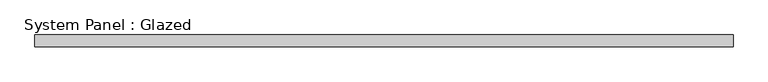
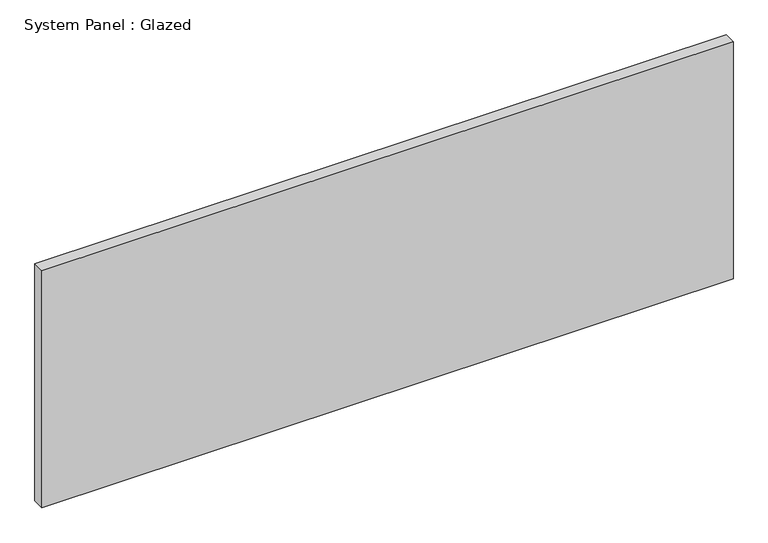
"""IFC4 building model written with IfcOpenShell, lengths in millimetres: plate geometry, System Panel : Glazed."""

from ifc_helpers import new_model, si_unit, origin, origin_with_axes, place, context, project, spatial, polyline, outline, extrude, source, transform, mapped, element, save


def system_panel_glazed_02cc3543(model_context):
    return source(origin(), model_context, "Body", "SweptSolid", [
        extrude(outline(polyline([(724.1690596, 24.5), (-724.1690596, 24.5), (-724.1690596, 49.5), (724.1690596, 49.5), (724.1690596, 24.5)])), origin_with_axes(), (0.0, 0.0, 1.0), 525.0),
    ])


if __name__ == "__main__":
    model = new_model("IFC4")
    model_context = context("Model", 3, world=origin())
    ifc_project = project(units=[si_unit("LENGTHUNIT", "METRE", prefix="MILLI")], contexts=[model_context])
    site = spatial("IfcSite", under=ifc_project)
    building = spatial("IfcBuilding", under=site)
    placement = place(None, origin())
    system_panel_glazed_shape = system_panel_glazed_02cc3543(model_context)
    element("IfcPlate", 1, ObjectType="System Panel : Glazed", at=placement, inside=building, context=model_context, shape_type="MappedRepresentation", body=[
        mapped(system_panel_glazed_shape, transform((0.0, 0.0, 0.0), x_axis=(1.0, 0.0, 0.0), y_axis=(0.0, 1.0, 0.0), z_axis=(0.0, 0.0, 1.0))),
    ])
    save(model, "model.ifc")
